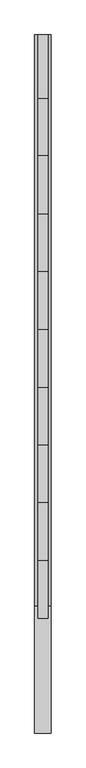
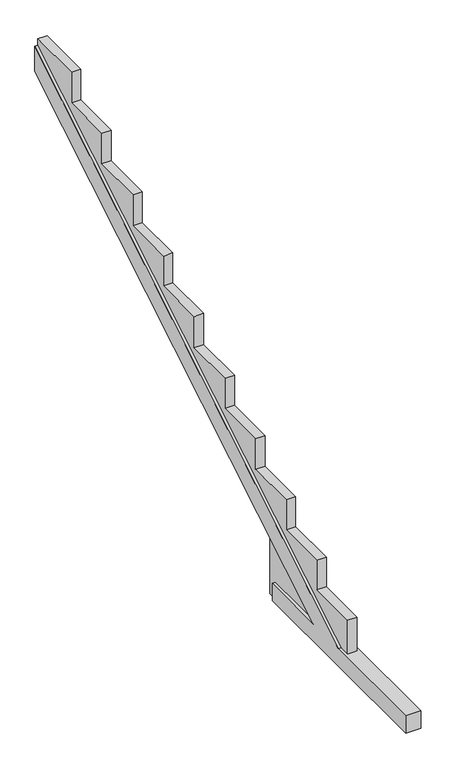
"""IFC4 building model written with IfcOpenShell, lengths in millimetres: beam geometry."""

import ifcopenshell
import ifcopenshell.guid

model = None  # the IFC model being written
_history = None  # IfcOwnerHistory: only IFC2X3 demands one
_inside = {}  # id of a spatial element -> (the spatial element, [elements in it])
_under = {}  # id of a project, library or spatial element -> (it, [spatial elements below it])
_declared = {}  # id of a project -> (the project, [libraries it declares])
_typed = {}  # id of a type object -> (the type object, [elements of that type])
_made_of = {}  # id of a material, layer set ... -> (it, [elements and type objects made of it])


def new_model(schema):
    """Start an empty IFC model of exactly this schema.

    Asked for "IFC4X3", IfcOpenShell would pick the latest addendum, in which some entities
    have other attributes; the version numbers below select the first issue.
    IFC2X3 requires an IfcOwnerHistory on every rooted entity: one is made here for all.
    """
    global model, _history
    if schema == "IFC4X3":
        model = ifcopenshell.file(schema_version=(4, 3, 0, 0))
    else:
        model = ifcopenshell.file(schema=schema)
    _inside.clear()
    _under.clear()
    _declared.clear()
    _typed.clear()
    _made_of.clear()
    _history = None
    if model.schema == "IFC2X3":
        org = make("IfcOrganization", Name="unknown")
        user = make(
            "IfcPersonAndOrganization",
            ThePerson=make("IfcPerson", FamilyName="unknown"),
            TheOrganization=org,
        )
        app = make(
            "IfcApplication",
            ApplicationDeveloper=org,
            Version="unknown",
            ApplicationFullName="unknown",
            ApplicationIdentifier="unknown",
        )
        _history = make(
            "IfcOwnerHistory",
            OwningUser=user,
            OwningApplication=app,
            ChangeAction="ADDED",
            CreationDate=0,
        )
    return model


def make(cls, **values):
    """One entity of the class cls with the attributes given. An attribute that is None is left unset."""
    return model.create_entity(
        cls, **{name: value for name, value in values.items() if value is not None}
    )


def rooted(cls, **values):
    """An entity with a GlobalId (a new one), such as an element, a storey or a relation."""
    return make(cls, GlobalId=ifcopenshell.guid.new(), OwnerHistory=_history, **values)


def si_unit(unit_type, name, prefix=None):
    """IfcSIUnit, for example si_unit("LENGTHUNIT", "METRE", prefix="MILLI")."""
    return make("IfcSIUnit", UnitType=unit_type, Prefix=prefix, Name=name)


def assignment(units):
    """IfcUnitAssignment: the units of a project."""
    return None if units is None else make("IfcUnitAssignment", Units=units)


def point(xyz):
    """IfcCartesianPoint."""
    return None if xyz is None else make("IfcCartesianPoint", Coordinates=xyz)


def direction(xyz):
    """IfcDirection."""
    return None if xyz is None else make("IfcDirection", DirectionRatios=xyz)


def frame(location, z_axis=None, x_axis=None):
    """IfcAxis2Placement3D, a coordinate frame: its origin and axes. An axis left out is left unset."""
    return make(
        "IfcAxis2Placement3D",
        Location=point(location),
        Axis=direction(z_axis),
        RefDirection=direction(x_axis),
    )


def origin():
    """The frame at (0, 0, 0) with its axes left unset."""
    return frame((0.0, 0.0, 0.0))


def place(relative_to, where):
    """IfcLocalPlacement: puts the frame where relative to a parent placement (None: the world)."""
    return make(
        "IfcLocalPlacement", PlacementRelTo=relative_to, RelativePlacement=where
    )


def context(
    kind, dimensions, precision=None, world=None, true_north=None, identifier=None
):
    """IfcGeometricRepresentationContext, for example the 3D "Model" context."""
    return make(
        "IfcGeometricRepresentationContext",
        ContextIdentifier=identifier,
        ContextType=kind,
        CoordinateSpaceDimension=dimensions,
        Precision=precision,
        WorldCoordinateSystem=world,
        TrueNorth=true_north,
    )


def project(units=None, contexts=None):
    """IfcProject with its units and contexts."""
    return rooted(
        "IfcProject",
        Name="project",
        RepresentationContexts=contexts,
        UnitsInContext=assignment(units),
    )


def spatial(cls, under=None, at=None, **own):
    """A site, building, storey or space (cls), placed at a placement, below another one or the project."""
    s = rooted(cls, ObjectPlacement=at, **own)
    if under is not None:
        _under.setdefault(under.id(), (under, []))[1].append(s)
    return s


def faces_of(points, faces, orient=None, outer=None):
    """IfcFace entities. A face is a list of loops; a loop is a list of indices into points, from 0.

    orient and outer hold one flag for each loop. By default every Orientation is true, the
    first loop of a face is its IfcFaceOuterBound and the others are IfcFaceBound.
    """
    made = []
    for i, loops in enumerate(faces):
        bounds = []
        for j, loop in enumerate(loops):
            is_outer = j == 0 if outer is None else outer[i][j]
            bounds.append(
                make(
                    "IfcFaceOuterBound" if is_outer else "IfcFaceBound",
                    Bound=make("IfcPolyLoop", Polygon=[points[k] for k in loop]),
                    Orientation=True if orient is None else orient[i][j],
                )
            )
        made.append(make("IfcFace", Bounds=bounds))
    return made


def faceted_brep(points, faces, orient=None, outer=None, voids=None):
    """IfcFacetedBrep: a solid bounded by flat faces; with voids (closed shells), ...WithVoids."""
    shared = [point(p) for p in points]
    hull = make("IfcClosedShell", CfsFaces=faces_of(shared, faces, orient, outer))
    if voids is None:
        return make("IfcFacetedBrep", Outer=hull)
    return make(
        "IfcFacetedBrepWithVoids",
        Outer=hull,
        Voids=[
            make(cls, CfsFaces=faces_of(shared, fs, o, b)) for cls, fs, o, b in voids
        ],
    )


def shape(context_of_items, identifier, shape_type, items):
    """IfcShapeRepresentation: the items that make up one representation, for example the "Body"."""
    return make(
        "IfcShapeRepresentation",
        ContextOfItems=context_of_items,
        RepresentationIdentifier=identifier,
        RepresentationType=shape_type,
        Items=items,
    )


def source(mapping_origin, context_of_items, identifier, shape_type, items):
    """IfcRepresentationMap: a shape defined once, which mapped items show again and again."""
    return make(
        "IfcRepresentationMap",
        MappingOrigin=mapping_origin,
        MappedRepresentation=shape(context_of_items, identifier, shape_type, items),
    )


def transform(
    local_origin,
    x_axis=None,
    y_axis=None,
    z_axis=None,
    scale=None,
    scale2=None,
    scale3=None,
    uniform=True,
):
    """IfcCartesianTransformationOperator3D, or its non-uniform kind. x_axis, y_axis, z_axis: its Axis1, 2, 3."""
    if uniform:
        return make(
            "IfcCartesianTransformationOperator3D",
            Axis1=direction(x_axis),
            Axis2=direction(y_axis),
            LocalOrigin=point(local_origin),
            Scale=scale,
            Axis3=direction(z_axis),
        )
    return make(
        "IfcCartesianTransformationOperator3DnonUniform",
        Axis1=direction(x_axis),
        Axis2=direction(y_axis),
        LocalOrigin=point(local_origin),
        Scale=scale,
        Axis3=direction(z_axis),
        Scale2=scale2,
        Scale3=scale3,
    )


def mapped(mapping_source, mapping_target):
    """IfcMappedItem: shows the shape of a source again, moved by a transform."""
    return make(
        "IfcMappedItem", MappingSource=mapping_source, MappingTarget=mapping_target
    )


def made_of(thing, what):
    """Note that an element or type object is made of a material, layer set ...; save() writes the relation."""
    if what is not None:
        _made_of.setdefault(what.id(), (what, []))[1].append(thing)
    return thing


def element(
    cls,
    number,
    at=None,
    inside=None,
    cuts=None,
    type_object=None,
    material=None,
    context=None,
    identifier="Body",
    shape_type=None,
    held_by="IfcProductDefinitionShape",
    body=None,
    shapes=None,
    **own,
):
    """One element of the class cls, such as IfcWall. Its Tag is "e" and its number.

    at: its placement. inside: the storey or other place that contains it. cuts: it is an
    opening in that element (IfcRelVoidsElement). A single representation is given by context,
    identifier, shape_type and body (its items); several are given by shapes. held_by: the class
    of the entity that holds the representations. save() writes the other relations.
    """
    e = rooted(cls, Tag="e%d" % number, ObjectPlacement=at, **own)
    if body is not None:
        shapes = [shape(context, identifier, shape_type, body)]
    if shapes is not None:
        e.Representation = make(held_by, Representations=shapes)
    if inside is not None:
        _inside.setdefault(inside.id(), (inside, []))[1].append(e)
    if cuts is not None:
        rooted(
            "IfcRelVoidsElement", RelatingBuildingElement=cuts, RelatedOpeningElement=e
        )
    if type_object is not None:
        _typed.setdefault(type_object.id(), (type_object, []))[1].append(e)
    return made_of(e, material)


def aggregate(whole, parts):
    """IfcRelAggregates: a whole, such as a stair, and the parts it consists of."""
    return rooted("IfcRelAggregates", RelatingObject=whole, RelatedObjects=parts)


def save(model, path):
    """Write the relations noted so far, then the file.

    IfcRelAggregates (storeys below a building ...), IfcRelContainedInSpatialStructure (elements
    in a storey), IfcRelDefinesByType, IfcRelAssociatesMaterial and IfcRelDeclares: one each for
    every whole, place, type object, material and project.
    """
    for whole, parts in _under.values():
        aggregate(whole, parts)
    for where, things in _inside.values():
        rooted(
            "IfcRelContainedInSpatialStructure",
            RelatedElements=things,
            RelatingStructure=where,
        )
    for kind, things in _typed.values():
        rooted("IfcRelDefinesByType", RelatedObjects=things, RelatingType=kind)
    for what, things in _made_of.values():
        rooted("IfcRelAssociatesMaterial", RelatedObjects=things, RelatingMaterial=what)
    for by, libraries in _declared.values():
        rooted("IfcRelDeclares", RelatingContext=by, RelatedDefinitions=libraries)
    model.write(path)


def beam_feaf468f(model_context):
    return source(origin(), model_context, "Body", "Brep", [
        faceted_brep([(109280.8792686, 104712.0024317, -269.8590717), (109280.8792686, 104712.0024317, -42.207796), (109280.8792686, 103824.6393477, -42.207796), (109280.8792686, 109861.6109849, 3606.1290947), (109280.8792686, 109861.6109849, 3930.1165382), (109280.8792686, 103288.5312342, -42.207796), (109280.8792686, 101825.1795196, -42.207796), (109280.8792686, 101825.1795196, -269.8590717), (109091.0291469, 104712.0024317, -269.8590717), (109091.0291469, 101825.1795196, -269.8590717), (109091.0291469, 101825.1795196, -42.207796), (109091.0291469, 103288.5312342, -42.207796), (109091.0291469, 109861.6109849, 3930.1165382), (109091.0291469, 109861.6109849, 3606.1290947), (109091.0291469, 103824.6393477, -42.207796), (109091.0291469, 104712.0024317, -42.207796), (109128.9228423, 104712.0024317, -269.8590717), (109128.9228423, 104837.4634494, -269.8590717), (109246.0574824, 104837.4634494, -269.8590717), (109246.0574824, 104712.0024317, -269.8590717), (109246.0574824, 103288.5312342, -42.207796), (109246.0574824, 103149.374086, -42.207796), (109128.9228423, 103149.374086, -42.207796), (109128.9228423, 103288.5312342, -42.207796), (109128.9228423, 109861.6109849, 3930.1165382), (109128.9228423, 109861.6109849, 4016.7775476), (109246.0574824, 109861.6109849, 4016.7775476), (109246.0574824, 109861.6109849, 3930.1165382), (109246.0574824, 103824.6393477, -42.207796), (109246.0574824, 104837.4634494, 569.8745122), (109128.9228423, 104837.4634494, 569.8745122), (109128.9228423, 103824.6393477, -42.207796), (109246.0574824, 104712.0024317, -42.207796), (109128.9228423, 104712.0024317, -42.207796), (109246.0574824, 109133.5542049, 4016.7775476), (109246.0574824, 109133.5542049, 3611.8387706), (109246.0574824, 108476.7835378, 3611.8387706), (109246.0574824, 108476.7835378, 3208.0902458), (109246.0574824, 107801.6888089, 3208.0902458), (109246.0574824, 107801.6888089, 2797.6405006), (109246.0574824, 107141.6196692, 2797.6405006), (109246.0574824, 107141.6196692, 2402.242586), (109246.0574824, 106473.1740177, 2402.242586), (109246.0574824, 106473.1740177, 1991.7928409), (109246.0574824, 105808.0789708, 1991.7928409), (109246.0574824, 105808.0789708, 1593.0702313), (109246.0574824, 105143.0099901, 1593.0702313), (109246.0574824, 105143.0099901, 1189.3217065), (109246.0574824, 104479.5641796, 1189.3217065), (109246.0574824, 104479.5641796, 792.2484868), (109246.0574824, 103814.4691328, 792.2484868), (109246.0574824, 103814.4691328, 405.278928), (109246.0574824, 103149.374086, 405.278928), (109128.9228423, 103149.374086, 405.278928), (109128.9228423, 103814.4691328, 405.278928), (109128.9228423, 103814.4691328, 792.2484868), (109128.9228423, 104479.5641796, 792.2484868), (109128.9228423, 104479.5641796, 1189.3217065), (109128.9228423, 105143.0099901, 1189.3217065), (109128.9228423, 105143.0099901, 1593.0702313), (109128.9228423, 105808.0789708, 1593.0702313), (109128.9228423, 105808.0789708, 1991.7928409), (109128.9228423, 106473.1740177, 1991.7928409), (109128.9228423, 106473.1740177, 2402.242586), (109128.9228423, 107141.6196692, 2402.242586), (109128.9228423, 107141.6196692, 2797.6405006), (109128.9228423, 107801.6888089, 2797.6405006), (109128.9228423, 107801.6888089, 3208.0902458), (109128.9228423, 108476.7835378, 3208.0902458), (109128.9228423, 108476.7835378, 3611.8387706), (109128.9228423, 109133.5542049, 3611.8387706), (109128.9228423, 109133.5542049, 4016.7775476)], [[[0, 1, 2, 3, 4, 5, 6, 7]], [[8, 9, 10, 11, 12, 13, 14, 15]], [[0, 7, 9, 8, 16, 17, 18, 19]], [[7, 6, 10, 9]], [[6, 5, 20, 21, 22, 23, 11, 10]], [[4, 3, 13, 12, 24, 25, 26, 27]], [[3, 2, 28, 29, 30, 31, 14, 13]], [[2, 1, 32, 28]], [[15, 14, 31, 33]], [[1, 0, 19, 32]], [[8, 15, 33, 16]], [[19, 18, 29, 28, 32]], [[26, 34, 35, 36, 37, 38, 39, 40, 41, 42, 43, 44, 45, 46, 47, 48, 49, 50, 51, 52, 21, 20, 27]], [[17, 16, 33, 31, 30]], [[53, 54, 55, 56, 57, 58, 59, 60, 61, 62, 63, 64, 65, 66, 67, 68, 69, 70, 71, 25, 24, 23, 22]], [[18, 17, 30, 29]], [[52, 53, 22, 21]], [[52, 51, 54, 53]], [[51, 50, 55, 54]], [[50, 49, 56, 55]], [[49, 48, 57, 56]], [[48, 47, 58, 57]], [[47, 46, 59, 58]], [[46, 45, 60, 59]], [[45, 44, 61, 60]], [[44, 43, 62, 61]], [[43, 42, 63, 62]], [[42, 41, 64, 63]], [[41, 40, 65, 64]], [[40, 39, 66, 65]], [[39, 38, 67, 66]], [[38, 37, 68, 67]], [[37, 36, 69, 68]], [[36, 35, 70, 69]], [[35, 34, 71, 70]], [[34, 26, 25, 71]], [[5, 4, 27, 20]], [[12, 11, 23, 24]]]),
    ])


if __name__ == "__main__":
    model = new_model("IFC4")
    model_context = context("Model", 3, world=origin())
    ifc_project = project(units=[si_unit("LENGTHUNIT", "METRE", prefix="MILLI")], contexts=[model_context])
    site = spatial("IfcSite", under=ifc_project)
    building = spatial("IfcBuilding", under=site)
    placement = place(None, origin())
    beam_shape = beam_feaf468f(model_context)
    element("IfcBeam", 1, at=placement, inside=building, context=model_context, shape_type="MappedRepresentation", body=[
        mapped(beam_shape, transform((0.0, 0.0, 0.0), x_axis=(1.0, 0.0, 0.0), y_axis=(0.0, 1.0, 0.0), z_axis=(0.0, 0.0, 1.0))),
    ])
    save(model, "model.ifc")
